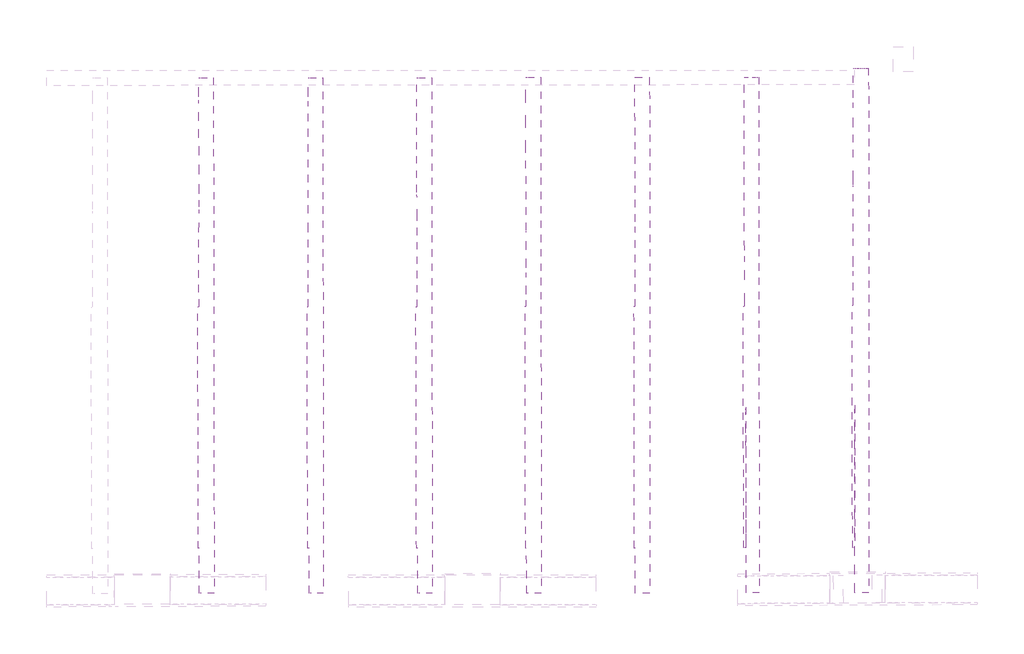
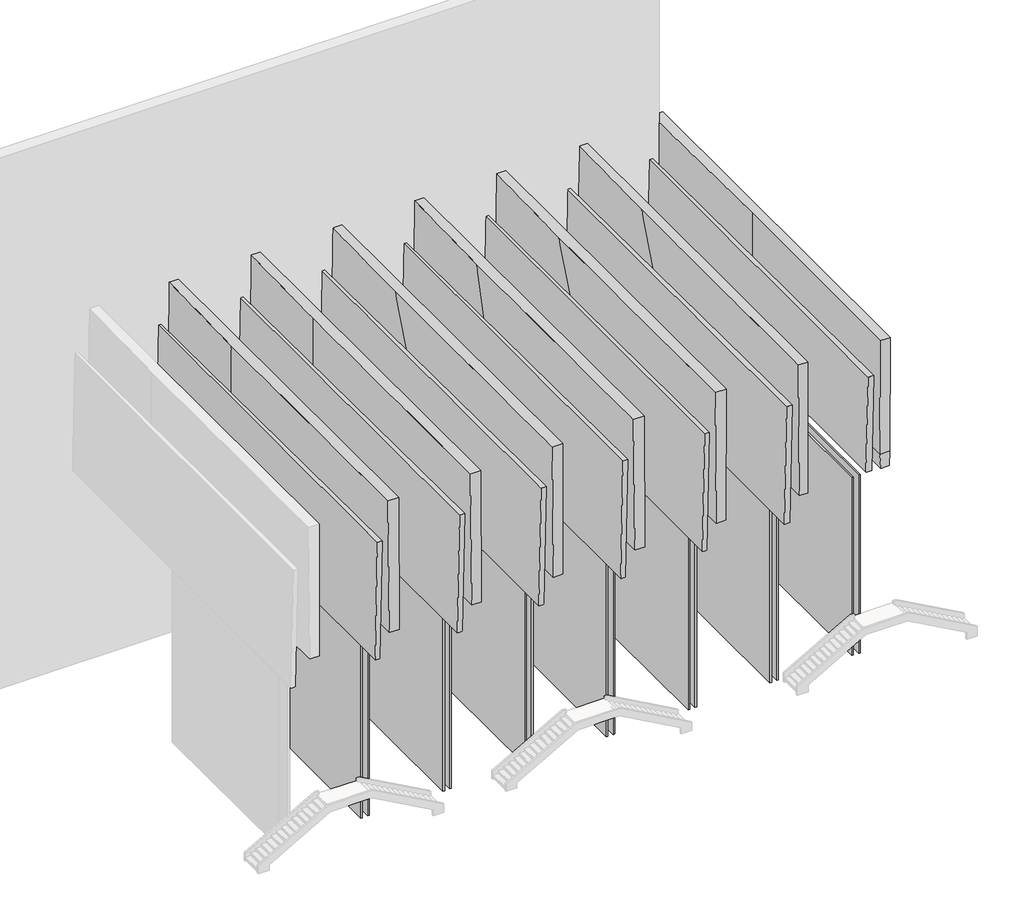
# One storey, part 9 of 9: 7 proxies.
"""IFC4 building model written with IfcOpenShell, lengths in millimetres."""

from ifc_helpers import new_model, si_unit, frame, origin, place, context, project, spatial, faceted_brep, element, save
from ifc_brep_helpers import plane_surface, spline_surface, advanced_brep

model = new_model("IFC4")

# Units and contexts
model_context = context("Model", 3, world=origin())
ifc_project = project(units=[si_unit("LENGTHUNIT", "METRE", prefix="MILLI")], contexts=[model_context])

# Site, building, storey
site = spatial("IfcSite", under=ifc_project)
building = spatial("IfcBuilding", under=site)
storey = spatial("IfcBuildingStorey", under=building, Elevation=-6062.0)

# Proxies
placement = place(None, origin())
element("IfcBuildingElementProxy", 1, Name="Massa 17 : Massa 1", ObjectType="Massa 17 : Massa 1", at=placement, inside=storey, context=model_context, shape_type="SolidModel", body=[
    faceted_brep([(26415.3034567, 102876.5342871, -3225.8734666), (26390.2323944, 113436.8378024, -3225.8734666), (26390.2323944, 113436.8378024, 7747.0), (26415.3034567, 102876.5342871, 7747.0), (26293.8206467, 113436.6089127, -3225.8734666), (26293.8206467, 113436.6089127, 4563.1165786), (26293.8206467, 113436.6089127, 6240.1925419), (26293.8206467, 113436.6089127, 7747.0), (26318.8917091, 102876.3053973, -3225.8734666), (26318.8917091, 102876.3053973, 7747.0)], [[[0, 1, 2, 3]], [[1, 4, 5, 6, 7, 2]], [[4, 8, 9, 7, 6, 5]], [[8, 0, 3, 9]], [[3, 2, 7, 9]], [[0, 8, 4, 1]]]),
    faceted_brep([(25915.3927479, 102868.1593669, -3225.8734666), (26009.6074521, 102868.3830407, -3225.8734666), (26009.6074521, 102868.3830407, 7747.0), (25915.3927479, 102868.1593669, 7747.0), (25984.5193247, 113435.8746049, -3225.8734666), (25984.5193247, 113435.8746049, 4563.1165786), (25984.5193247, 113435.8746049, 6240.1925419), (25984.5193247, 113435.8746049, 7747.0), (25890.3046205, 113435.6509312, -3225.8734666), (25890.3046205, 113435.6509312, 7747.0)], [[[0, 1, 2, 3]], [[1, 4, 5, 6, 7, 2]], [[4, 8, 9, 7, 6, 5]], [[8, 0, 3, 9]], [[2, 7, 9, 3]], [[0, 8, 4, 1]]]),
    advanced_brep(
    [(26355.7676882, 116681.5809233, 9233.246536), (26437.6154253, 100907.8423856, 9233.246536), (26356.9863535, 100907.7031696, 17350.0), (26344.3917817, 116681.5818952, 17350.0), (26349.617905, 116681.5814487, 13621.1407235), (26351.0613508, 116681.5813254, 12591.2365659), (26352.5535972, 116681.5811979, 11526.5129924), (26354.0370357, 116681.5810711, 10468.073833), (27007.5602104, 100908.9961153, 9233.246536), (26996.1843038, 100908.9970872, 17350.0), (26975.4584111, 123451.5785977, 9233.246536), (26964.0825045, 123451.5795696, 17350.0), (26339.698191, 123450.2916389, 9233.246536), (26441.6193078, 123450.5219561, 17350.0)],
    [
        (0, 1),
        (1, 2),
        (2, 3),
        (3, 4),
        (4, 5),
        (5, 6),
        (6, 7),
        (7, 0),
        (1, 8),
        (8, 9),
        (9, 2),
        (8, 10),
        (10, 11),
        (11, 9),
        (10, 12),
        (12, 13),
        (13, 11),
        (12, 0),
        (3, 13),
    ],
    [
        spline_surface(1, 1, [[(26355.7676882, 116681.5809233, 9233.246536), (26344.3917817, 116681.5818952, 17350.0)], [(26437.6154253, 100907.8423856, 9233.246536), (26356.9863535, 100907.7031696, 17350.0)]], [2, 2], [2, 2], [0.0, 1.0], [0.0, 1.0]),
        plane_surface(frame((26722.5878179, 100908.4192505, 9233.246536), z_axis=(0.002024279062005706, -0.9999979511406694, 2.956840552427316e-06), x_axis=(0.9999979511450408, 0.002024279062014555, 0.0))),
        plane_surface(frame((26991.5093108, 112180.2873565, 9233.246536), z_axis=(0.9999980038959361, 0.0014240486958270698, 0.0014015311111565763), x_axis=(-0.001424050094451049, 0.9999989860401503, 0.0))),
        plane_surface(frame((26657.5783011, 123450.9351183, 9233.246536), z_axis=(-0.0020242790619824655, 0.9999979511406694, -2.9568389213534476e-06), x_axis=(-0.9999979511450408, -0.0020242790619913143, 0.0))),
        spline_surface(1, 1, [[(26339.698191, 123450.2916389, 9233.246536), (26441.6193078, 123450.5219561, 17350.0)], [(26355.7676882, 116681.5809233, 9233.246536), (26344.3917817, 116681.5818952, 17350.0)]], [2, 2], [2, 2], [0.0, 1.0], [0.0, 1.0]),
        plane_surface(frame((26620.6528503, 113080.0767355, 17350.0), z_axis=(0.0, 0.0, 1.0000000000000002), x_axis=(-0.014362292608677137, -0.9998968569562677, 0.0))),
        plane_surface(frame((26623.2199852, 113080.0579322, 9233.246536), z_axis=(0.0, 0.0, -1.0000000000000002), x_axis=(-0.002374078704532273, 0.9999971818711815, 0.0))),
    ],
    [
        (0, [[1, 2, 3, 4, 5, 6, 7, 8]]),
        (1, [[9, 10, 11, -2]]),
        (2, [[12, 13, 14, -10]]),
        (3, [[15, 16, 17, -13]]),
        (4, [[18, -8, -7, -6, -5, -4, 19, -16]]),
        (5, [[-19, -3, -11, -14, -17]]),
        (6, [[-18, -15, -12, -9, -1]]),
    ],
),
    advanced_brep(
    [(25673.4738045, 101006.8696315, 7747.0), (25932.4445231, 101006.9824171, 7747.0), (26077.3694657, 101007.1934619, 14928.9790117), (25806.0882476, 101007.0392669, 14928.9790117), (25865.685142, 123494.8771111, 7747.0), (25956.9639237, 123495.3329516, 14928.9790117), (25680.0760589, 123495.8216581, 7747.0), (25812.690502, 123495.9912935, 14928.9790117)],
    [
        (0, 1),
        (1, 2),
        (2, 3),
        (3, 0),
        (1, 4),
        (4, 5),
        (5, 2),
        (4, 6),
        (6, 7),
        (7, 5),
        (6, 0),
        (3, 7),
    ],
    [
        spline_surface(1, 1, [[(25673.4738045, 101006.8696315, 7747.0), (25806.0882476, 101007.0392669, 14928.9790117)], [(25932.4445231, 101006.9824171, 7747.0), (26077.3694657, 101007.1934619, 14928.9790117)]], [2, 2], [2, 2], [0.0, 1.0], [0.0, 1.0]),
        spline_surface(1, 1, [[(25932.4445231, 101006.9824171, 7747.0), (26077.3694657, 101007.1934619, 14928.9790117)], [(25865.685142, 123494.8771111, 7747.0), (25956.9639237, 123495.3329516, 14928.9790117)]], [2, 2], [2, 2], [0.0, 1.0], [0.0, 1.0]),
        spline_surface(1, 1, [[(25865.685142, 123494.8771111, 7747.0), (25956.9639237, 123495.3329516, 14928.9790117)], [(25680.0760589, 123495.8216581, 7747.0), (25812.690502, 123495.9912935, 14928.9790117)]], [2, 2], [2, 2], [0.0, 1.0], [0.0, 1.0]),
        plane_surface(frame((25676.7749317, 112251.3456448, 7747.0), z_axis=(-0.9998295245794621, 0.00029352763441871393, 0.018461733957964244), x_axis=(-0.0002935776695461325, -0.999999956906075, 0.0))),
        plane_surface(frame((25913.2780347, 112251.3892435, 14928.9790117), z_axis=(0.0, 0.0, 1.0000000000000002), x_axis=(0.9999998384634387, 0.0005683951941703347, 0.0))),
        plane_surface(frame((25787.9198821, 112251.1377045, 7747.0), z_axis=(0.0, 0.0, -1.0), x_axis=(0.0002935776695463249, 0.999999956906075, 0.0))),
    ],
    [
        (0, [[1, 2, 3, 4]]),
        (1, [[5, 6, 7, -2]]),
        (2, [[8, 9, 10, -6]]),
        (3, [[11, -4, 12, -9]]),
        (4, [[-3, -7, -10, -12]]),
        (5, [[-11, -8, -5, -1]]),
    ],
),
])
element("IfcBuildingElementProxy", 2, Name="Massa 18 : Massa 1", ObjectType="Massa 18 : Massa 1", at=placement, inside=storey, context=model_context, shape_type="SolidModel", body=[
    faceted_brep([(31193.866798, 102876.5342871, -3225.8734666), (31168.7957357, 113436.8378024, -3225.8734666), (31168.7957357, 113436.8378024, 7747.0), (31193.866798, 102876.5342871, 7747.0), (31072.3839881, 113436.6089127, -3225.8734666), (31072.3839881, 113436.6089127, 4563.1165786), (31072.3839881, 113436.6089127, 6240.1925419), (31072.3839881, 113436.6089127, 7747.0), (31097.4550504, 102876.3053973, -3225.8734666), (31097.4550504, 102876.3053973, 7747.0)], [[[0, 1, 2, 3]], [[1, 4, 5, 6, 7, 2]], [[4, 8, 9, 7, 6, 5]], [[8, 0, 3, 9]], [[3, 2, 7, 9]], [[0, 8, 4, 1]]]),
    faceted_brep([(30693.9560892, 102868.1593669, -3225.8734666), (30788.1707934, 102868.3830407, -3225.8734666), (30788.1707934, 102868.3830407, 7747.0), (30693.9560892, 102868.1593669, 7747.0), (30763.082666, 113435.8746049, -3225.8734666), (30763.082666, 113435.8746049, 4563.1165786), (30763.082666, 113435.8746049, 6240.1925419), (30763.082666, 113435.8746049, 7747.0), (30668.8679618, 113435.6509312, -3225.8734666), (30668.8679618, 113435.6509312, 7747.0)], [[[0, 1, 2, 3]], [[1, 4, 5, 6, 7, 2]], [[4, 8, 9, 7, 6, 5]], [[8, 0, 3, 9]], [[2, 7, 9, 3]], [[0, 8, 4, 1]]]),
    advanced_brep(
    [(31134.3310296, 116681.5809233, 9233.246536), (31243.1876562, 100907.8970593, 9233.246536), (31162.5585844, 100907.7578432, 17350.0), (31122.955123, 116681.5818952, 17350.0), (31128.1926204, 116681.5814477, 13613.0252669), (31129.6702779, 116681.5813215, 12558.7109161), (31131.141822, 116681.5811958, 11508.7585276), (31132.6365428, 116681.581068, 10442.269404), (31786.1235517, 100908.9961153, 9233.246536), (31774.7476451, 100908.9970872, 17350.0), (31754.0217524, 123451.5785977, 9233.246536), (31742.6458459, 123451.5795696, 17350.0), (31118.2615323, 123450.2916389, 9233.246536), (31220.1826491, 123450.5219561, 17350.0)],
    [
        (0, 1),
        (1, 2),
        (2, 3),
        (3, 4),
        (4, 5),
        (5, 6),
        (6, 7),
        (7, 0),
        (1, 8),
        (8, 9),
        (9, 2),
        (8, 10),
        (10, 11),
        (11, 9),
        (10, 12),
        (12, 13),
        (13, 11),
        (12, 0),
        (3, 13),
    ],
    [
        spline_surface(1, 1, [[(31134.3310296, 116681.5809233, 9233.246536), (31122.955123, 116681.5818952, 17350.0)], [(31243.1876562, 100907.8970593, 9233.246536), (31162.5585844, 100907.7578432, 17350.0)]], [2, 2], [2, 2], [0.0, 1.0], [0.0, 1.0]),
        plane_surface(frame((31514.655604, 100908.4465873, 9233.246536), z_axis=(0.0020242790619863687, -0.9999979511406695, 2.95684055249596e-06), x_axis=(0.9999979511450409, 0.0020242790619952175, 0.0))),
        plane_surface(frame((31770.0726521, 112180.2873565, 9233.246536), z_axis=(0.9999980038959361, 0.001424048695830916, 0.0014015311111635167), x_axis=(-0.0014240500944548951, 0.9999989860401503, 0.0))),
        plane_surface(frame((31436.1416424, 123450.9351183, 9233.246536), z_axis=(-0.0020242790619824655, 0.9999979511406694, -2.956838916848799e-06), x_axis=(-0.9999979511450408, -0.0020242790619913143, 0.0))),
        spline_surface(1, 1, [[(31118.2615323, 123450.2916389, 9233.246536), (31220.1826491, 123450.5219561, 17350.0)], [(31134.3310296, 116681.5809233, 9233.246536), (31122.955123, 116681.5818952, 17350.0)]], [2, 2], [2, 2], [0.0, 1.0], [0.0, 1.0]),
        plane_surface(frame((31404.6179695, 113080.0876703, 17350.0), z_axis=(0.0, 0.0, 1.0), x_axis=(-0.014362292608673409, -0.9998968569562677, 0.0))),
        plane_surface(frame((31407.1851044, 113080.0688669, 9233.246536), z_axis=(0.0, 0.0, -1.0), x_axis=(-0.002374078704418556, 0.9999971818711817, 0.0))),
    ],
    [
        (0, [[1, 2, 3, 4, 5, 6, 7, 8]]),
        (1, [[9, 10, 11, -2]]),
        (2, [[12, 13, 14, -10]]),
        (3, [[15, 16, 17, -13]]),
        (4, [[18, -8, -7, -6, -5, -4, 19, -16]]),
        (5, [[-19, -3, -11, -14, -17]]),
        (6, [[-18, -15, -12, -9, -1]]),
    ],
),
    advanced_brep(
    [(30452.0371458, 101006.8696315, 7747.0), (30746.2507229, 101007.0001618, 7747.0), (30891.1756655, 101007.2112066, 14928.9790117), (30584.6515889, 101007.0392669, 14928.9790117), (30644.2484833, 123494.8771111, 7747.0), (30735.527265, 123495.3329516, 14928.9790117), (30458.6394002, 123495.8216581, 7747.0), (30591.2538433, 123495.9912935, 14928.9790117)],
    [
        (0, 1),
        (1, 2),
        (2, 3),
        (3, 0),
        (1, 4),
        (4, 5),
        (5, 2),
        (4, 6),
        (6, 7),
        (7, 5),
        (6, 0),
        (3, 7),
    ],
    [
        spline_surface(1, 1, [[(30452.0371458, 101006.8696315, 7747.0), (30584.6515889, 101007.0392669, 14928.9790117)], [(30746.2507229, 101007.0001618, 7747.0), (30891.1756655, 101007.2112066, 14928.9790117)]], [2, 2], [2, 2], [0.0, 1.0], [0.0, 1.0]),
        spline_surface(1, 1, [[(30746.2507229, 101007.0001618, 7747.0), (30891.1756655, 101007.2112066, 14928.9790117)], [(30644.2484833, 123494.8771111, 7747.0), (30735.527265, 123495.3329516, 14928.9790117)]], [2, 2], [2, 2], [0.0, 1.0], [0.0, 1.0]),
        spline_surface(1, 1, [[(30644.2484833, 123494.8771111, 7747.0), (30735.527265, 123495.3329516, 14928.9790117)], [(30458.6394002, 123495.8216581, 7747.0), (30591.2538433, 123495.9912935, 14928.9790117)]], [2, 2], [2, 2], [0.0, 1.0], [0.0, 1.0]),
        plane_surface(frame((30455.338273, 112251.3456448, 7747.0), z_axis=(-0.9998295245794621, 0.00029352763441871393, 0.018461733957964244), x_axis=(-0.0002935776695461325, -0.999999956906075, 0.0))),
        plane_surface(frame((30700.6520907, 112251.3936796, 14928.9790117), z_axis=(0.0, 0.0, 1.0), x_axis=(0.9999998426767717, 0.0005609335361223997, 0.0))),
        plane_surface(frame((30575.293938, 112251.1421406, 7747.0), z_axis=(0.0, 0.0, -1.0), x_axis=(0.0002935776695463249, 0.999999956906075, 0.0))),
    ],
    [
        (0, [[1, 2, 3, 4]]),
        (1, [[5, 6, 7, -2]]),
        (2, [[8, 9, 10, -6]]),
        (3, [[11, -4, 12, -9]]),
        (4, [[-3, -7, -10, -12]]),
        (5, [[-11, -8, -5, -1]]),
    ],
),
])
element("IfcBuildingElementProxy", 3, Name="Massa 19 : Massa 1", ObjectType="Massa 19 : Massa 1", at=placement, inside=storey, context=model_context, shape_type="SolidModel", body=[
    faceted_brep([(35950.1088836, 102876.5342871, -3225.8734666), (35925.0378213, 113436.8378024, -3225.8734666), (35925.0378213, 113436.8378024, 7747.0), (35950.1088836, 102876.5342871, 7747.0), (35828.6260736, 113436.6089127, -3225.8734666), (35828.6260736, 113436.6089127, 4543.1165786), (35828.6260736, 113436.6089127, 6240.1925419), (35828.6260736, 113436.6089127, 7747.0), (35853.697136, 102876.3053973, -3225.8734666), (35853.697136, 102876.3053973, 7747.0)], [[[0, 1, 2, 3]], [[1, 4, 5, 6, 7, 2]], [[4, 8, 9, 7, 6, 5]], [[8, 0, 3, 9]], [[3, 2, 7, 9]], [[0, 8, 4, 1]]]),
    faceted_brep([(35450.1981748, 102868.1593669, -3225.8734666), (35544.412879, 102868.3830407, -3225.8734666), (35544.412879, 102868.3830407, 7747.0), (35450.1981748, 102868.1593669, 7747.0), (35519.3247516, 113435.8746049, -3225.8734666), (35519.3247516, 113435.8746049, 4543.1165786), (35519.3247516, 113435.8746049, 6240.1925419), (35519.3247516, 113435.8746049, 7747.0), (35425.1100474, 113435.6509312, -3225.8734666), (35425.1100474, 113435.6509312, 7747.0)], [[[0, 1, 2, 3]], [[1, 4, 5, 6, 7, 2]], [[4, 8, 9, 7, 6, 5]], [[8, 0, 3, 9]], [[2, 7, 9, 3]], [[0, 8, 4, 1]]]),
    advanced_brep(
    [(35886.8972748, 113436.7472534, 9285.0423205), (35999.4297418, 100907.8970593, 9285.0423205), (35918.80067, 100907.7578432, 17350.0), (35879.1972085, 116681.5818952, 17350.0), (35882.5296191, 115277.2925066, 13859.6728371), (35884.5971843, 114406.0133789, 11694.1297301), (36542.3656373, 100908.9961153, 9285.0423205), (36530.9897307, 100908.9970872, 17350.0), (36510.263838, 123451.5785977, 9285.0423205), (36498.8879314, 123451.5795696, 17350.0), (35863.12432, 123450.268604, 9285.0423205), (35976.4247347, 123450.5219561, 17350.0)],
    [
        (0, 1),
        (1, 2),
        (2, 3),
        (3, 4),
        (4, 5),
        (5, 0),
        (1, 6),
        (6, 7),
        (7, 2),
        (6, 8),
        (8, 9),
        (9, 7),
        (8, 10),
        (10, 11),
        (11, 9),
        (10, 0),
        (3, 11),
    ],
    [
        spline_surface(1, 1, [[(35886.8972748, 113436.7472534, 9285.0423205), (35879.1972085, 116681.5818952, 17350.0)], [(35999.4297418, 100907.8970593, 9285.0423205), (35918.80067, 100907.7578432, 17350.0)]], [2, 2], [2, 2], [0.0, 1.0], [0.0, 1.0]),
        plane_surface(frame((36270.8976895, 100908.4465873, 9285.0423205), z_axis=(0.0020242790619862546, -0.9999979511406132, 2.9758303520675864e-06), x_axis=(0.9999979511450409, 0.0020242790619952175, 0.0))),
        plane_surface(frame((36526.3147376, 112180.2873565, 9285.0423205), z_axis=(0.9999979912401448, 0.0014240486780747372, 0.0014105321825353073), x_axis=(-0.001424050094721215, 0.9999989860401498, 0.0))),
        plane_surface(frame((36186.694079, 123450.9236008, 9285.0423205), z_axis=(-0.0020242790619823515, 0.9999979511406131, -2.9758286941146697e-06), x_axis=(-0.9999979511450408, -0.0020242790619913143, 0.0))),
        spline_surface(1, 1, [[(35863.12432, 123450.268604, 9285.0423205), (35976.4247347, 123450.5219561, 17350.0)], [(35886.8972748, 113436.7472534, 9285.0423205), (35879.1972085, 116681.5818952, 17350.0)]], [2, 2], [2, 2], [0.0, 1.0], [0.0, 1.0]),
        plane_surface(frame((36160.8600551, 113080.0876703, 17350.0), z_axis=(0.0, 0.0, 1.0), x_axis=(-0.014362292608406874, -0.9998968569562716, 0.0))),
        plane_surface(frame((36160.4161624, 112431.0975259, 9285.0423205), z_axis=(0.0, 0.0, -1.0000000000000002), x_axis=(-0.002374078703453149, 0.999997181871184, 0.0))),
    ],
    [
        (0, [[1, 2, 3, 4, 5, 6]]),
        (1, [[7, 8, 9, -2]]),
        (2, [[10, 11, 12, -8]]),
        (3, [[13, 14, 15, -11]]),
        (4, [[16, -6, -5, -4, 17, -14]]),
        (5, [[-17, -3, -9, -12, -15]]),
        (6, [[-16, -13, -10, -7, -1]]),
    ],
),
    advanced_brep(
    [(35208.2792313, 101006.8696315, 7747.0), (35502.4928085, 101007.0001618, 7747.0), (35647.4177511, 101007.2112066, 14928.9790117), (35340.8936744, 101007.0392669, 14928.9790117), (35400.4905689, 123494.8771111, 7747.0), (35491.7693506, 123495.3329516, 14928.9790117), (35214.8814857, 123495.8216581, 7747.0), (35347.4959288, 123495.9912935, 14928.9790117)],
    [
        (0, 1),
        (1, 2),
        (2, 3),
        (3, 0),
        (1, 4),
        (4, 5),
        (5, 2),
        (4, 6),
        (6, 7),
        (7, 5),
        (6, 0),
        (3, 7),
    ],
    [
        spline_surface(1, 1, [[(35208.2792313, 101006.8696315, 7747.0), (35340.8936744, 101007.0392669, 14928.9790117)], [(35502.4928085, 101007.0001618, 7747.0), (35647.4177511, 101007.2112066, 14928.9790117)]], [2, 2], [2, 2], [0.0, 1.0], [0.0, 1.0]),
        spline_surface(1, 1, [[(35502.4928085, 101007.0001618, 7747.0), (35647.4177511, 101007.2112066, 14928.9790117)], [(35400.4905689, 123494.8771111, 7747.0), (35491.7693506, 123495.3329516, 14928.9790117)]], [2, 2], [2, 2], [0.0, 1.0], [0.0, 1.0]),
        spline_surface(1, 1, [[(35400.4905689, 123494.8771111, 7747.0), (35491.7693506, 123495.3329516, 14928.9790117)], [(35214.8814857, 123495.8216581, 7747.0), (35347.4959288, 123495.9912935, 14928.9790117)]], [2, 2], [2, 2], [0.0, 1.0], [0.0, 1.0]),
        plane_surface(frame((35211.5803585, 112251.3456448, 7747.0), z_axis=(-0.9998295245794621, 0.00029352763441871393, 0.018461733957963643), x_axis=(-0.0002935776695461325, -0.999999956906075, 0.0))),
        plane_surface(frame((35456.8941762, 112251.3936796, 14928.9790117), z_axis=(0.0, 0.0, 1.0), x_axis=(0.9999998426767717, 0.0005609335361223997, 0.0))),
        plane_surface(frame((35331.5360236, 112251.1421406, 7747.0), z_axis=(0.0, 0.0, -1.0), x_axis=(0.0002935776695463249, 0.999999956906075, 0.0))),
    ],
    [
        (0, [[1, 2, 3, 4]]),
        (1, [[5, 6, 7, -2]]),
        (2, [[8, 9, 10, -6]]),
        (3, [[11, -4, 12, -9]]),
        (4, [[-3, -7, -10, -12]]),
        (5, [[-11, -8, -5, -1]]),
    ],
),
])
element("IfcBuildingElementProxy", 4, Name="Massa 20 : Massa 1", ObjectType="Massa 20 : Massa 1", at=placement, inside=storey, context=model_context, shape_type="SolidModel", body=[
    faceted_brep([(40717.4054347, 102886.5342871, -3225.8734666), (40692.3343723, 113446.8378024, -3225.8734666), (40692.3343723, 113446.8378024, 7747.0), (40717.4054347, 102886.5342871, 7747.0), (40595.9226247, 113446.6089127, -3225.8734666), (40595.9226247, 113446.6089127, 4543.1165786), (40595.9226247, 113446.6089127, 6240.1925419), (40595.9226247, 113446.6089127, 7747.0), (40620.993687, 102886.3053973, -3225.8734666), (40620.993687, 102886.3053973, 7747.0)], [[[0, 1, 2, 3]], [[1, 4, 5, 6, 7, 2]], [[4, 8, 9, 7, 6, 5]], [[8, 0, 3, 9]], [[3, 2, 7, 9]], [[0, 8, 4, 1]]]),
    faceted_brep([(40217.4947259, 102878.1593669, -3225.8734666), (40311.7094301, 102878.3830407, -3225.8734666), (40311.7094301, 102878.3830407, 7747.0), (40217.4947259, 102878.1593669, 7747.0), (40286.6213027, 113445.8746049, -3225.8734666), (40286.6213027, 113445.8746049, 4543.1165786), (40286.6213027, 113445.8746049, 6240.1925419), (40286.6213027, 113445.8746049, 7747.0), (40192.4065985, 113445.6509312, -3225.8734666), (40192.4065985, 113445.6509312, 7747.0)], [[[0, 1, 2, 3]], [[1, 4, 5, 6, 7, 2]], [[4, 8, 9, 7, 6, 5]], [[8, 0, 3, 9]], [[2, 7, 9, 3]], [[0, 8, 4, 1]]]),
    advanced_brep(
    [(40651.3386811, 114649.376613, 9285.0423205), (40743.9101913, 100917.850873, 9285.0423205), (40663.2811194, 100917.711657, 17350.0), (40646.4937596, 116691.5818952, 17350.0), (40648.6462538, 115784.2741167, 13766.9131773), (40650.121611, 115162.3894838, 11311.0027506), (41309.6621884, 100918.9961153, 9285.0423205), (41298.2862818, 100918.9970872, 17350.0), (41277.5603891, 123461.5785977, 9285.0423205), (41266.1844825, 123461.5795696, 17350.0), (40630.4208711, 123460.268604, 9285.0423205), (40743.7212858, 123460.5219561, 17350.0)],
    [
        (0, 1),
        (1, 2),
        (2, 3),
        (3, 4),
        (4, 5),
        (5, 0),
        (1, 6),
        (6, 7),
        (7, 2),
        (6, 8),
        (8, 9),
        (9, 7),
        (8, 10),
        (10, 11),
        (11, 9),
        (10, 0),
        (3, 11),
    ],
    [
        spline_surface(1, 1, [[(40651.3386811, 114649.376613, 9285.0423205), (40646.4937596, 116691.5818952, 17350.0)], [(40743.9101913, 100917.850873, 9285.0423205), (40663.2811194, 100917.711657, 17350.0)]], [2, 2], [2, 2], [0.0, 1.0], [0.0, 1.0]),
        plane_surface(frame((41026.7861898, 100918.4234942, 9285.0423205), z_axis=(0.0020242790619980516, -0.9999979511406131, 2.975830355051805e-06), x_axis=(0.9999979511450408, 0.0020242790620070145, 0.0))),
        plane_surface(frame((41293.6112887, 112190.2873565, 9285.0423205), z_axis=(0.9999979912401445, 0.0014240486780866535, 0.0014105321826883754), x_axis=(-0.0014240500947331316, 0.9999989860401498, 0.0))),
        plane_surface(frame((40953.9906301, 123460.9236008, 9285.0423205), z_axis=(-0.0020242790619823684, 0.9999979511406131, -2.97582868951249e-06), x_axis=(-0.9999979511450408, -0.0020242790619913313, 0.0))),
        spline_surface(1, 1, [[(40630.4208711, 123460.268604, 9285.0423205), (40743.7212858, 123460.5219561, 17350.0)], [(40651.3386811, 114649.376613, 9285.0423205), (40646.4937596, 116691.5818952, 17350.0)]], [2, 2], [2, 2], [0.0, 1.0], [0.0, 1.0]),
        plane_surface(frame((40923.5933858, 113090.078433, 17350.0), z_axis=(0.0, 0.0, 1.0), x_axis=(-0.014362292608396107, -0.9998968569562717, 0.0))),
        plane_surface(frame((40922.5784642, 112681.6141606, 9285.0423205), z_axis=(0.0, 0.0, -1.0000000000000002), x_axis=(-0.0023740787033126893, 0.9999971818711844, 0.0))),
    ],
    [
        (0, [[1, 2, 3, 4, 5, 6]]),
        (1, [[7, 8, 9, -2]]),
        (2, [[10, 11, 12, -8]]),
        (3, [[13, 14, 15, -11]]),
        (4, [[16, -6, -5, -4, 17, -14]]),
        (5, [[-17, -3, -9, -12, -15]]),
        (6, [[-16, -13, -10, -7, -1]]),
    ],
),
    advanced_brep(
    [(39975.5757824, 101016.8696315, 7747.0), (40229.8479904, 101016.9800514, 7747.0), (40374.772933, 101017.1910962, 14928.9790117), (40108.1902255, 101017.0392669, 14928.9790117), (40167.78712, 123504.8771111, 7747.0), (40259.0659017, 123505.3329516, 14928.9790117), (39982.1780368, 123505.8216581, 7747.0), (40114.7924799, 123505.9912935, 14928.9790117)],
    [
        (0, 1),
        (1, 2),
        (2, 3),
        (3, 0),
        (1, 4),
        (4, 5),
        (5, 2),
        (4, 6),
        (6, 7),
        (7, 5),
        (6, 0),
        (3, 7),
    ],
    [
        spline_surface(1, 1, [[(39975.5757824, 101016.8696315, 7747.0), (40108.1902255, 101017.0392669, 14928.9790117)], [(40229.8479904, 101016.9800514, 7747.0), (40374.772933, 101017.1910962, 14928.9790117)]], [2, 2], [2, 2], [0.0, 1.0], [0.0, 1.0]),
        spline_surface(1, 1, [[(40229.8479904, 101016.9800514, 7747.0), (40374.772933, 101017.1910962, 14928.9790117)], [(40167.78712, 123504.8771111, 7747.0), (40259.0659017, 123505.3329516, 14928.9790117)]], [2, 2], [2, 2], [0.0, 1.0], [0.0, 1.0]),
        spline_surface(1, 1, [[(40167.78712, 123504.8771111, 7747.0), (40259.0659017, 123505.3329516, 14928.9790117)], [(39982.1780368, 123505.8216581, 7747.0), (40114.7924799, 123505.9912935, 14928.9790117)]], [2, 2], [2, 2], [0.0, 1.0], [0.0, 1.0]),
        plane_surface(frame((39978.8769096, 112261.3456448, 7747.0), z_axis=(-0.9998295245794621, 0.00029352763441890654, 0.018461733957963643), x_axis=(-0.0002935776695463251, -0.999999956906075, 0.0))),
        plane_surface(frame((40214.205385, 112261.388652, 14928.9790117), z_axis=(0.0, 0.0, 1.0000000000000002), x_axis=(0.9999998378126436, 0.0005695390125288712, 0.0))),
        plane_surface(frame((40088.8472324, 112261.137113, 7747.0), z_axis=(0.0, 0.0, -1.0), x_axis=(0.0002935776695463249, 0.999999956906075, 0.0))),
    ],
    [
        (0, [[1, 2, 3, 4]]),
        (1, [[5, 6, 7, -2]]),
        (2, [[8, 9, 10, -6]]),
        (3, [[11, -4, 12, -9]]),
        (4, [[-3, -7, -10, -12]]),
        (5, [[-11, -8, -5, -1]]),
    ],
),
])
element("IfcBuildingElementProxy", 5, Name="Massa 21 : Massa 1", ObjectType="Massa 21 : Massa 1", at=placement, inside=storey, context=model_context, shape_type="SolidModel", body=[
    faceted_brep([(45473.9022805, 102886.465084, -3225.8734666), (45456.4087153, 113446.7838704, -3225.8734666), (45456.4087153, 113446.7838704, 7747.0), (45473.9022805, 102886.465084, 7747.0), (45359.9968283, 113446.6241604, -3225.8734666), (45359.9968283, 113446.6241604, 4528.1165786), (45359.9968283, 113446.6241604, 6240.1925419), (45359.9968283, 113446.6241604, 7747.0), (45377.4903935, 102886.3053741, -3225.8734666), (45377.4903935, 102886.3053741, 7747.0)], [[[0, 1, 2, 3]], [[1, 4, 5, 6, 7, 2]], [[4, 8, 9, 7, 6, 5]], [[8, 0, 3, 9]], [[3, 2, 7, 9]], [[0, 8, 4, 1]]]),
    faceted_brep([(44973.985691, 102878.4488744, -3225.8734666), (45068.2005315, 102878.6049448, -3225.8734666), (45068.2005315, 102878.6049448, 7747.0), (44973.985691, 102878.4488744, 7747.0), (45050.695059, 113446.1117904, -3225.8734666), (45050.695059, 113446.1117904, 4528.1165786), (45050.695059, 113446.1117904, 6240.1925419), (45050.695059, 113446.1117904, 7747.0), (44956.4802186, 113445.95572, -3225.8734666), (44956.4802186, 113445.95572, 7747.0)], [[[0, 1, 2, 3]], [[1, 4, 5, 6, 7, 2]], [[4, 8, 9, 7, 6, 5]], [[8, 0, 3, 9]], [[2, 7, 9, 3]], [[0, 8, 4, 1]]]),
    advanced_brep(
    [(45418.3929792, 113371.3432895, 9285.0423205), (45477.3869406, 100917.7631585, 9285.0423205), (45418.3652608, 100917.6817974, 17350.0), (45412.8963636, 116691.5600206, 17350.0), (45415.2713107, 115256.9792768, 13865.3380266), (45416.7241951, 114379.3681509, 11733.5806256), (46043.1396138, 100918.502448, 9285.0423205), (46053.3711821, 100918.5115827, 17350.0), (46027.2131352, 123461.1021616, 9285.0423205), (46037.4447035, 123461.1112963, 17350.0), (45401.6802683, 123460.2847551, 9285.0423205), (45514.9808824, 123460.4285738, 17350.0)],
    [
        (0, 1),
        (1, 2),
        (2, 3),
        (3, 4),
        (4, 5),
        (5, 0),
        (1, 6),
        (6, 7),
        (7, 2),
        (6, 8),
        (8, 9),
        (9, 7),
        (8, 10),
        (10, 11),
        (11, 9),
        (10, 0),
        (3, 11),
    ],
    [
        spline_surface(1, 1, [[(45418.3929792, 113371.3432895, 9285.0423205), (45412.8963636, 116691.5600206, 17350.0)], [(45477.3869406, 100917.7631585, 9285.0423205), (45418.3652608, 100917.6817974, 17350.0)]], [2, 2], [2, 2], [0.0, 1.0], [0.0, 1.0]),
        plane_surface(frame((45760.2632772, 100918.1328033, 9285.0423205), z_axis=(0.0013067352283226993, -0.9999991462210194, -5.251482107661762e-07), x_axis=(0.9999991462211572, 0.0013067352283228793, 0.0))),
        plane_surface(frame((46035.1763745, 112189.8023048, 9285.0423205), z_axis=(0.9999989456953211, 0.0007065051046685346, -0.001268644466963122), x_axis=(-0.000706505673214644, 0.9999997504248358, 0.0))),
        plane_surface(frame((45714.4467018, 123460.6934584, 9285.0423205), z_axis=(-0.0013067352283056026, 0.9999991462210194, 5.251498930172134e-07), x_axis=(-0.9999991462211572, -0.0013067352283057825, 0.0))),
        spline_surface(1, 1, [[(45401.6802683, 123460.2847551, 9285.0423205), (45514.9808824, 123460.4285738, 17350.0)], [(45418.3929792, 113371.3432895, 9285.0423205), (45412.8963636, 116691.5600206, 17350.0)]], [2, 2], [2, 2], [0.0, 1.0], [0.0, 1.0]),
        plane_surface(frame((45687.4116785, 113089.8586542, 17350.0), z_axis=(0.0, 0.0, 1.0), x_axis=(-0.015079759683835282, -0.9998862939594071, 0.0))),
        plane_surface(frame((45673.5625874, 112425.7991625, 9285.0423205), z_axis=(0.0, 0.0, -1.0), x_axis=(-0.0016565353318390324, 0.999998627944406, 0.0))),
    ],
    [
        (0, [[1, 2, 3, 4, 5, 6]]),
        (1, [[7, 8, 9, -2]]),
        (2, [[10, 11, 12, -8]]),
        (3, [[13, 14, 15, -11]]),
        (4, [[16, -6, -5, -4, 17, -14]]),
        (5, [[-17, -3, -9, -12, -15]]),
        (6, [[-16, -13, -10, -7, -1]]),
    ],
),
    advanced_brep(
    [(44730.7312511, 101017.3332058, 7747.0), (44985.0034729, 101017.261174, 7747.0), (45129.9285296, 101017.3682286, 14928.9790117), (44863.3457818, 101017.4076843, 14928.9790117), (44939.0786916, 123505.1969759, 7747.0), (45030.3577769, 123505.5873197, 14928.9790117), (44753.470334, 123506.2747055, 7747.0), (44886.0848647, 123506.3491841, 14928.9790117)],
    [
        (0, 1),
        (1, 2),
        (2, 3),
        (3, 0),
        (1, 4),
        (4, 5),
        (5, 2),
        (4, 6),
        (6, 7),
        (7, 5),
        (6, 0),
        (3, 7),
    ],
    [
        spline_surface(1, 1, [[(44730.7312511, 101017.3332058, 7747.0), (44863.3457818, 101017.4076843, 14928.9790117)], [(44985.0034729, 101017.261174, 7747.0), (45129.9285296, 101017.3682286, 14928.9790117)]], [2, 2], [2, 2], [0.0, 1.0], [0.0, 1.0]),
        spline_surface(1, 1, [[(44985.0034729, 101017.261174, 7747.0), (45129.9285296, 101017.3682286, 14928.9790117)], [(44939.0786916, 123505.1969759, 7747.0), (45030.3577769, 123505.5873197, 14928.9790117)]], [2, 2], [2, 2], [0.0, 1.0], [0.0, 1.0]),
        spline_surface(1, 1, [[(44939.0786916, 123505.1969759, 7747.0), (45030.3577769, 123505.5873197, 14928.9790117)], [(44753.470334, 123506.2747055, 7747.0), (44886.0848647, 123506.3491841, 14928.9790117)]], [2, 2], [2, 2], [0.0, 1.0], [0.0, 1.0]),
        plane_surface(frame((44742.1007926, 112261.8039556, 7747.0), z_axis=(-0.9998290565688353, 0.0010109500178241766, 0.01846173395796222), x_axis=(-0.001011122345765482, -0.9999994888156704, 0.0))),
        plane_surface(frame((44977.4292383, 112261.6781042, 14928.9790117), z_axis=(0.0, 0.0, 1.0), x_axis=(0.9999999890471415, -0.00014800580044210143, 0.0))),
        plane_surface(frame((44852.0709374, 112261.5165153, 7747.0), z_axis=(0.0, 0.0, -1.0), x_axis=(0.0010111223457658662, 0.9999994888156702, 0.0))),
    ],
    [
        (0, [[1, 2, 3, 4]]),
        (1, [[5, 6, 7, -2]]),
        (2, [[8, 9, 10, -6]]),
        (3, [[11, -4, 12, -9]]),
        (4, [[-3, -7, -10, -12]]),
        (5, [[-11, -8, -5, -1]]),
    ],
),
])
element("IfcBuildingElementProxy", 6, Name="Massa 22 : Massa 1", ObjectType="Massa 22 : Massa 1", at=placement, inside=storey, context=model_context, shape_type="SolidModel", body=[
    faceted_brep([(50250.3272058, 102896.465084, -3225.8734666), (50232.8336406, 113456.7838704, -3225.8734666), (50232.8336406, 113456.7838704, 7747.0), (50250.3272058, 102896.465084, 7747.0), (50136.4217536, 113456.6241604, -3225.8734666), (50136.4217536, 113456.6241604, 4548.1165786), (50136.4217536, 113456.6241604, 6240.1925419), (50136.4217536, 113456.6241604, 7747.0), (50153.9153188, 102896.3053741, -3225.8734666), (50153.9153188, 102896.3053741, 7747.0)], [[[0, 1, 2, 3]], [[1, 4, 5, 6, 7, 2]], [[4, 8, 9, 7, 6, 5]], [[8, 0, 3, 9]], [[3, 2, 7, 9]], [[0, 8, 4, 1]]]),
    faceted_brep([(49750.4106163, 102888.4488744, -3225.8734666), (49844.6254568, 102888.6049448, -3225.8734666), (49844.6254568, 102888.6049448, 7747.0), (49750.4106163, 102888.4488744, 7747.0), (49827.1199843, 113456.1117904, -3225.8734666), (49827.1199843, 113456.1117904, 4548.1165786), (49827.1199843, 113456.1117904, 6240.1925419), (49827.1199843, 113456.1117904, 7747.0), (49732.9051438, 113455.95572, -3225.8734666), (49732.9051438, 113455.95572, 7747.0)], [[[0, 1, 2, 3]], [[1, 4, 5, 6, 7, 2]], [[4, 8, 9, 7, 6, 5]], [[8, 0, 3, 9]], [[2, 7, 9, 3]], [[0, 8, 4, 1]]]),
    advanced_brep(
    [(50194.8179045, 113381.3432895, 9285.0423205), (50324.8058664, 100927.8559289, 9285.0423205), (50265.7841866, 100927.7745678, 17350.0), (50253.145743, 116700.5974537, 17350.0), (50227.8513655, 115261.1738425, 13852.5605353), (50212.5273018, 114389.1294858, 11733.7107927), (50819.5645391, 100928.502448, 9285.0423205), (50829.7961073, 100928.5115827, 17350.0), (50803.6380605, 123471.1021616, 9285.0423205), (50813.8696288, 123471.1112963, 17350.0), (50178.1051936, 123470.2847551, 9285.0423205), (50355.2302618, 123469.4660069, 17350.0)],
    [
        (0, 1),
        (1, 2),
        (2, 3),
        (3, 4),
        (4, 5),
        (5, 0),
        (1, 6),
        (6, 7),
        (7, 2),
        (6, 8),
        (8, 9),
        (9, 7),
        (8, 10),
        (10, 11),
        (11, 9),
        (10, 0),
        (3, 11),
    ],
    [
        spline_surface(1, 1, [[(50194.8179045, 113381.3432895, 9285.0423205), (50253.145743, 116700.5974537, 17350.0)], [(50324.8058664, 100927.8559289, 9285.0423205), (50265.7841866, 100927.7745678, 17350.0)]], [2, 2], [2, 2], [0.0, 1.0], [0.0, 1.0]),
        plane_surface(frame((50572.1852027, 100928.1791885, 9285.0423205), z_axis=(0.0013067352282861442, -0.9999991462210193, -5.251482175890482e-07), x_axis=(0.9999991462211572, 0.0013067352282863244, 0.0))),
        plane_surface(frame((50811.6012998, 112199.8023048, 9285.0423205), z_axis=(0.999998945695321, 0.0007065051050128651, -0.0012686444668922122), x_axis=(-0.0007065056735589747, 0.9999997504248356, 0.0))),
        spline_surface(1, 1, [[(50803.6380605, 123471.1021616, 9285.0423205), (50813.8696288, 123471.1112963, 17350.0)], [(50178.1051936, 123470.2847551, 9285.0423205), (50355.2302618, 123469.4660069, 17350.0)]], [2, 2], [2, 2], [0.0, 1.0], [0.0, 1.0]),
        spline_surface(1, 1, [[(50178.1051936, 123470.2847551, 9285.0423205), (50355.2302618, 123469.4660069, 17350.0)], [(50194.8179045, 113381.3432895, 9285.0423205), (50253.145743, 116700.5974537, 17350.0)]], [2, 2], [2, 2], [0.0, 1.0], [0.0, 1.0]),
        plane_surface(frame((50503.5651855, 113099.4921815, 17350.0), z_axis=(0.0, 0.0, 1.0), x_axis=(-0.015079759683315036, -0.9998862939594149, 0.0))),
        plane_surface(frame((50464.1863128, 112435.8177166, 9285.0423205), z_axis=(0.0, 0.0, -1.0), x_axis=(-0.0016565353325585725, 0.9999986279444047, 0.0))),
    ],
    [
        (0, [[1, 2, 3, 4, 5, 6]]),
        (1, [[7, 8, 9, -2]]),
        (2, [[10, 11, 12, -8]]),
        (3, [[13, 14, 15, -11]]),
        (4, [[16, -6, -5, -4, 17, -14]]),
        (5, [[-17, -3, -9, -12, -15]]),
        (6, [[-16, -13, -10, -7, -1]]),
    ],
),
    advanced_brep(
    [(49507.1561764, 101027.3332058, 7747.0), (49823.239149, 101027.2479436, 7747.0), (49968.1642057, 101027.3549981, 14928.9790117), (49639.7707071, 101027.4076843, 14928.9790117), (49715.5036169, 123515.1969759, 7747.0), (49838.6956303, 123515.4187965, 14928.9790117), (49529.8952593, 123516.2747055, 7747.0), (49662.50979, 123516.3491841, 14928.9790117)],
    [
        (0, 1),
        (1, 2),
        (2, 3),
        (3, 0),
        (1, 4),
        (4, 5),
        (5, 2),
        (4, 6),
        (6, 7),
        (7, 5),
        (6, 0),
        (3, 7),
    ],
    [
        spline_surface(1, 1, [[(49507.1561764, 101027.3332058, 7747.0), (49639.7707071, 101027.4076843, 14928.9790117)], [(49823.239149, 101027.2479436, 7747.0), (49968.1642057, 101027.3549981, 14928.9790117)]], [2, 2], [2, 2], [0.0, 1.0], [0.0, 1.0]),
        spline_surface(1, 1, [[(49823.239149, 101027.2479436, 7747.0), (49968.1642057, 101027.3549981, 14928.9790117)], [(49715.5036169, 123515.1969759, 7747.0), (49838.6956303, 123515.4187965, 14928.9790117)]], [2, 2], [2, 2], [0.0, 1.0], [0.0, 1.0]),
        spline_surface(1, 1, [[(49715.5036169, 123515.1969759, 7747.0), (49838.6956303, 123515.4187965, 14928.9790117)], [(49529.8952593, 123516.2747055, 7747.0), (49662.50979, 123516.3491841, 14928.9790117)]], [2, 2], [2, 2], [0.0, 1.0], [0.0, 1.0]),
        plane_surface(frame((49518.5257179, 112271.8039556, 7747.0), z_axis=(-0.9998290565688353, 0.0010109500178241758, 0.018461733957962218), x_axis=(-0.001011122345765481, -0.9999994888156704, 0.0))),
        plane_surface(frame((49777.2850833, 112271.6326658, 14928.9790117), z_axis=(0.0, 0.0, 1.0000000000000002), x_axis=(0.9999999871301082, -0.00016043622922776388, 0.0))),
        plane_surface(frame((49643.9485504, 112271.5132077, 7747.0), z_axis=(0.0, 0.0, -1.0), x_axis=(0.0010111223457658662, 0.9999994888156702, 0.0))),
    ],
    [
        (0, [[1, 2, 3, 4]]),
        (1, [[5, 6, 7, -2]]),
        (2, [[8, 9, 10, -6]]),
        (3, [[11, -4, 12, -9]]),
        (4, [[-3, -7, -10, -12]]),
        (5, [[-11, -8, -5, -1]]),
    ],
),
])
element("IfcBuildingElementProxy", 7, Name="Massa 23 : Massa 1", ObjectType="Massa 23 : Massa 1", at=placement, inside=storey, context=model_context, shape_type="SolidModel", body=[
    faceted_brep([(55009.877634, 102901.465084, -3225.8734666), (54992.3178074, 113501.7838155, -3225.8734666), (54992.3178074, 113501.7838155, 7747.0), (55009.877634, 102901.465084, 7747.0), (54895.9059203, 113501.6241056, -3225.8734666), (54895.9059203, 113501.6241056, 4519.7196574), (54895.9059203, 113501.6241056, 6240.1925419), (54895.9059203, 113501.6241056, 7747.0), (54913.4657469, 102901.3053741, -3225.8734666), (54913.4657469, 102901.3053741, 7747.0)], [[[0, 1, 2, 3]], [[1, 4, 5, 6, 7, 2]], [[4, 8, 9, 7, 6, 5]], [[8, 0, 3, 9]], [[3, 2, 7, 9]], [[0, 8, 4, 1]]]),
    advanced_brep(
    [(54509.9610445, 102893.4488744, -3225.8734666), (54614.8351785, 102893.6226023, -3225.8734666), (54614.8351785, 102893.6226023, 7747.0), (54509.9610445, 102893.4488744, 7747.0), (54634.6308549, 113500.1129434, -3225.8734666), (54634.6363377, 113496.8031382, 4520.640833), (54634.6375548, 113496.068436, 6240.1925419), (54634.6386213, 113495.4246317, 7747.0), (54492.3910969, 113499.8773179, -3225.8734666), (54492.3988633, 113495.1890062, 7747.0)],
    [
        (0, 1),
        (1, 2),
        (2, 3),
        (3, 0),
        (1, 4),
        (4, 5),
        (5, 6),
        (6, 7),
        (7, 2),
        (4, 8),
        (8, 9),
        (9, 7),
        (8, 0),
        (3, 9),
    ],
    [
        plane_surface(frame((54562.3981115, 102893.5357384, -3225.8734666), z_axis=(0.0016565353317085402, -0.9999986279444062, 0.0), x_axis=(0.9999986279444062, 0.0016565353317085402, 0.0))),
        spline_surface(1, 1, [[(54614.8351785, 102893.6226023, -3225.8734666), (54614.8351785, 102893.6226023, 7747.0)], [(54634.6308549, 113500.1129434, -3225.8734666), (54634.6386213, 113495.4246317, 7747.0)]], [2, 2], [2, 2], [0.0, 1.0], [0.0, 1.0]),
        plane_surface(frame((54563.5109759, 113499.9951307, -3225.8734666), z_axis=(-0.001656535180079136, 0.999998536667111, 0.0004272643607124153), x_axis=(-0.9999986279444069, -0.001656535331283409, 0.0))),
        plane_surface(frame((54501.1760707, 108196.6630962, -3225.8734666), z_axis=(-0.9999986279444067, -0.0016565353314036745, 0.0), x_axis=(0.0016565353314036745, -0.9999986279444067, 0.0))),
        plane_surface(frame((54562.9584269, 108194.4212786, 7747.0), z_axis=(0.0, 0.0, 1.0), x_axis=(0.001867928509351295, 0.9999982554200202, 0.0))),
        plane_surface(frame((54562.9545437, 108196.7654345, -3225.8734666), z_axis=(0.0, 0.0, -1.0), x_axis=(-0.0016565353314023112, 0.9999986279444067, 0.0))),
    ],
    [
        (0, [[1, 2, 3, 4]]),
        (1, [[5, 6, 7, 8, 9, -2]]),
        (2, [[10, 11, 12, -8, -7, -6]]),
        (3, [[13, -4, 14, -11]]),
        (4, [[-9, -12, -14, -3]]),
        (5, [[-13, -10, -5, -1]]),
    ],
),
    advanced_brep(
    [(54954.1772058, 113501.7206341, 9285.0423205), (55084.3562945, 100932.8559289, 9285.0423205), (55005.3345476, 100932.748433, 10173.7642486), (55038.6360215, 113875.232816, 10173.7642486), (55579.1149673, 100933.502448, 9285.0423205), (55589.3465355, 100933.5115827, 10173.7642486), (55562.9132246, 123865.7153739, 9285.0423205), (55573.1450132, 123865.412706, 10173.7642486), (54937.0102136, 123864.8974837, 9285.0423205), (54944.7294361, 123863.1583739, 10173.7642486)],
    [
        (0, 1),
        (1, 2),
        (2, 3),
        (3, 0),
        (1, 4),
        (4, 5),
        (5, 2),
        (4, 6),
        (6, 7),
        (7, 5),
        (6, 8),
        (8, 9),
        (9, 7),
        (8, 0),
        (3, 9),
    ],
    [
        spline_surface(1, 1, [[(54954.1772058, 113501.7206341, 9285.0423205), (55038.6360215, 113875.232816, 10173.7642486)], [(55084.3562945, 100932.8559289, 9285.0423205), (55005.3345476, 100932.748433, 10173.7642486)]], [2, 2], [2, 2], [0.0, 1.0], [0.0, 1.0]),
        plane_surface(frame((55331.7356309, 100933.1791885, 9285.0423205), z_axis=(0.0013067352282813004, -0.9999991462098017, -4.765605248220421e-06), x_axis=(0.9999991462211572, 0.001306735228296139, 0.0))),
        plane_surface(frame((55571.0140959, 112399.608911, 9285.0423205), z_axis=(0.9999334861150666, 0.0007064588581877276, -0.011511918243792017), x_axis=(-0.0007065056743102673, 0.999999750424835, 0.0))),
        spline_surface(1, 1, [[(55562.9132246, 123865.7153739, 9285.0423205), (55573.1450132, 123865.412706, 10173.7642486)], [(54937.0102136, 123864.8974837, 9285.0423205), (54944.7294361, 123863.1583739, 10173.7642486)]], [2, 2], [2, 2], [0.0, 1.0], [0.0, 1.0]),
        spline_surface(1, 1, [[(54937.0102136, 123864.8974837, 9285.0423205), (54944.7294361, 123863.1583739, 10173.7642486)], [(54954.1772058, 113501.7206341, 9285.0423205), (55038.6360215, 113875.232816, 10173.7642486)]], [2, 2], [2, 2], [0.0, 1.0], [0.0, 1.0]),
        plane_surface(frame((55230.2383108, 112694.0127823, 10173.7642486), z_axis=(0.0, 0.0, 1.0), x_axis=(0.009401595410725284, -0.9999558040252244, 0.0))),
        plane_surface(frame((55223.5143812, 112619.7383737, 9285.0423205), z_axis=(0.0, 0.0, -1.0), x_axis=(-0.0016565353315040725, 0.9999986279444065, 0.0))),
    ],
    [
        (0, [[1, 2, 3, 4]]),
        (1, [[5, 6, 7, -2]]),
        (2, [[8, 9, 10, -6]]),
        (3, [[11, 12, 13, -9]]),
        (4, [[14, -4, 15, -12]]),
        (5, [[-15, -3, -7, -10, -13]]),
        (6, [[-14, -11, -8, -5, -1]]),
    ],
),
    advanced_brep(
    [(54266.7066046, 101032.3332058, 9285.0423205), (54594.8328402, 101032.2446949, 9285.0423205), (54727.7146339, 101032.3549981, 15077.242192), (54399.3211353, 101032.4076843, 15077.242192), (54566.4620759, 118158.788802, 9285.0423205), (54563.2233914, 120113.8814336, 9285.0423205), (54559.2057384, 122539.2130392, 9285.0423205), (54558.2206241, 123133.895744, 9285.0423205), (54557.5814954, 123519.7177827, 9285.0423205), (54598.2460585, 123520.4187965, 15077.242192), (54289.4456875, 123521.2747055, 9285.0423205), (54422.0602182, 123521.3491841, 15077.242192)],
    [
        (0, 1),
        (1, 2),
        (2, 3),
        (3, 0),
        (1, 4),
        (4, 5),
        (5, 6),
        (6, 7),
        (7, 8),
        (8, 9),
        (9, 2),
        (8, 10),
        (10, 11),
        (11, 9),
        (10, 0),
        (3, 11),
    ],
    [
        spline_surface(1, 1, [[(54266.7066046, 101032.3332058, 9285.0423205), (54399.3211353, 101032.4076843, 15077.242192)], [(54594.8328402, 101032.2446949, 9285.0423205), (54727.7146339, 101032.3549981, 15077.242192)]], [2, 2], [2, 2], [0.0, 1.0], [0.0, 1.0]),
        spline_surface(1, 1, [[(54594.8328402, 101032.2446949, 9285.0423205), (54727.7146339, 101032.3549981, 15077.242192)], [(54557.5814954, 123519.7177827, 9285.0423205), (54598.2460585, 123520.4187965, 15077.242192)]], [2, 2], [2, 2], [0.0, 1.0], [0.0, 1.0]),
        spline_surface(1, 1, [[(54557.5814954, 123519.7177827, 9285.0423205), (54598.2460585, 123520.4187965, 15077.242192)], [(54289.4456875, 123521.2747055, 9285.0423205), (54422.0602182, 123521.3491841, 15077.242192)]], [2, 2], [2, 2], [0.0, 1.0], [0.0, 1.0]),
        plane_surface(frame((54278.076146, 112276.8039556, 9285.0423205), z_axis=(-0.9997374936424192, 0.001010857436455906, 0.022889341904416577), x_axis=(-0.0010111223457654804, -0.9999994888156704, 0.0))),
        plane_surface(frame((54536.8355115, 112276.6326658, 15077.242192), z_axis=(0.0, 0.0, 1.0000000000000002), x_axis=(0.9999999871301082, -0.00016043622922776388, 0.0))),
        plane_surface(frame((54427.1416569, 112276.3925972, 9285.0423205), z_axis=(0.0, 0.0, -1.0), x_axis=(0.0010111223457658647, 0.9999994888156702, 0.0))),
    ],
    [
        (0, [[1, 2, 3, 4]]),
        (1, [[5, 6, 7, 8, 9, 10, 11, -2]]),
        (2, [[12, 13, 14, -10]]),
        (3, [[15, -4, 16, -13]]),
        (4, [[-3, -11, -14, -16]]),
        (5, [[-15, -12, -9, -8, -7, -6, -5, -1]]),
    ],
),
    faceted_brep([(54944.7294361, 123863.1583739, 10173.7642486), (55038.6360215, 113875.232816, 10173.7642486), (55048.4168761, 113875.232816, 12030.4840231), (55059.5864418, 113875.232816, 14150.8256768), (55075.5107203, 113875.232816, 17173.7642486), (54981.6041349, 123863.1583739, 17173.7642486), (55005.3345476, 100932.748433, 10173.7642486), (55042.2092464, 100932.748433, 17173.7642486), (55589.3465355, 100933.5115827, 10173.7642486), (55626.2212343, 100933.5115827, 17173.7642486), (55573.1450132, 123865.412706, 10173.7642486), (55610.019712, 123865.412706, 17173.7642486)], [[[0, 1, 2, 3, 4, 5]], [[1, 6, 7, 4, 3, 2]], [[6, 8, 9, 7]], [[8, 10, 11, 9]], [[10, 0, 5, 11]], [[4, 7, 9, 11, 5]], [[0, 10, 8, 6, 1]]]),
])

save(model, "model.ifc")
